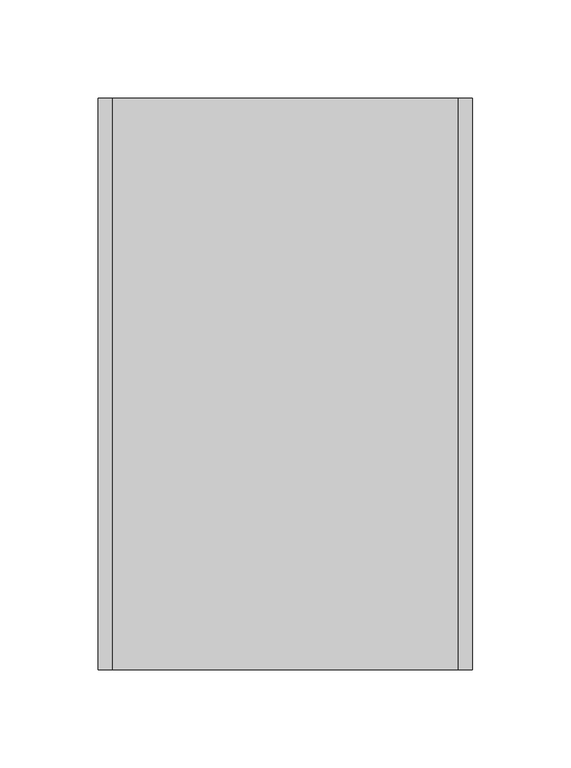
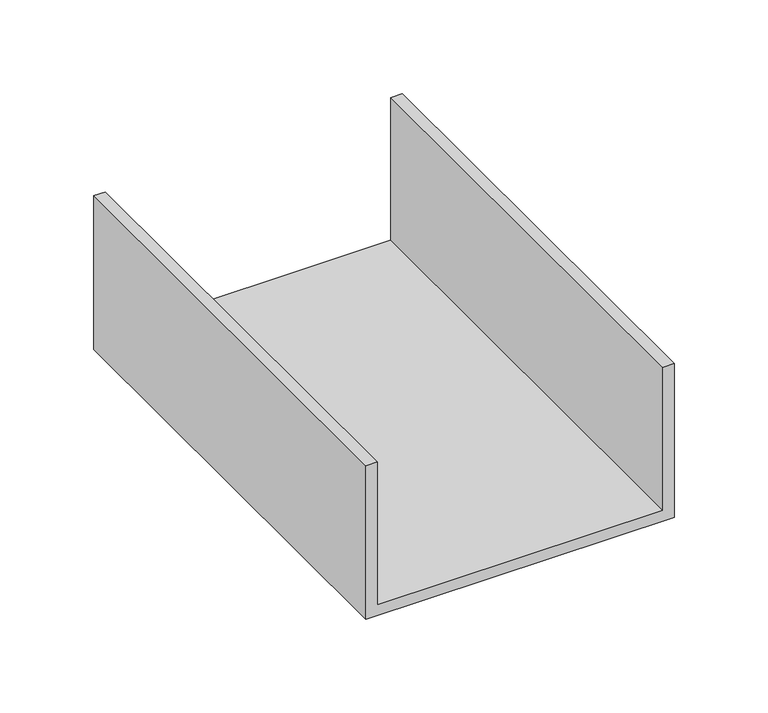
"""IFC4 building model written with IfcOpenShell, lengths in millimetres: proxy geometry."""

from ifc_helpers import new_model, si_unit, frame, origin, place, context, project, spatial, polyline, outline, extrude, source, transform, mapped, element, save


def generic_models_2d22769f(model_context):
    return source(origin(), model_context, "Body", "SweptSolid", [
        extrude(outline(polyline([(0.0, 190.0), (100.0, 190.0), (100.0, 183.0), (7.0, 183.0), (7.0, 7.0), (100.0, 7.0), (100.0, 0.0), (0.0, 0.0), (0.0, 190.0)])), frame((0.0, 0.0, 0.0), z_axis=(0.0, 1.0, 0.0), x_axis=(0.0, 0.0, 1.0)), (0.0, 0.0, 1.0), 290.0),
    ])


if __name__ == "__main__":
    model = new_model("IFC4")
    model_context = context("Model", 3, world=origin())
    ifc_project = project(units=[si_unit("LENGTHUNIT", "METRE", prefix="MILLI")], contexts=[model_context])
    site = spatial("IfcSite", under=ifc_project)
    building = spatial("IfcBuilding", under=site)
    placement = place(None, origin())
    generic_models_shape = generic_models_2d22769f(model_context)
    element("IfcBuildingElementProxy", 1, Name="Generic Models", at=placement, inside=building, context=model_context, shape_type="MappedRepresentation", body=[
        mapped(generic_models_shape, transform((0.0, 0.0, 0.0), x_axis=(1.0, 0.0, 0.0), y_axis=(0.0, 1.0, 0.0), z_axis=(0.0, 0.0, 1.0))),
    ])
    save(model, "model.ifc")
